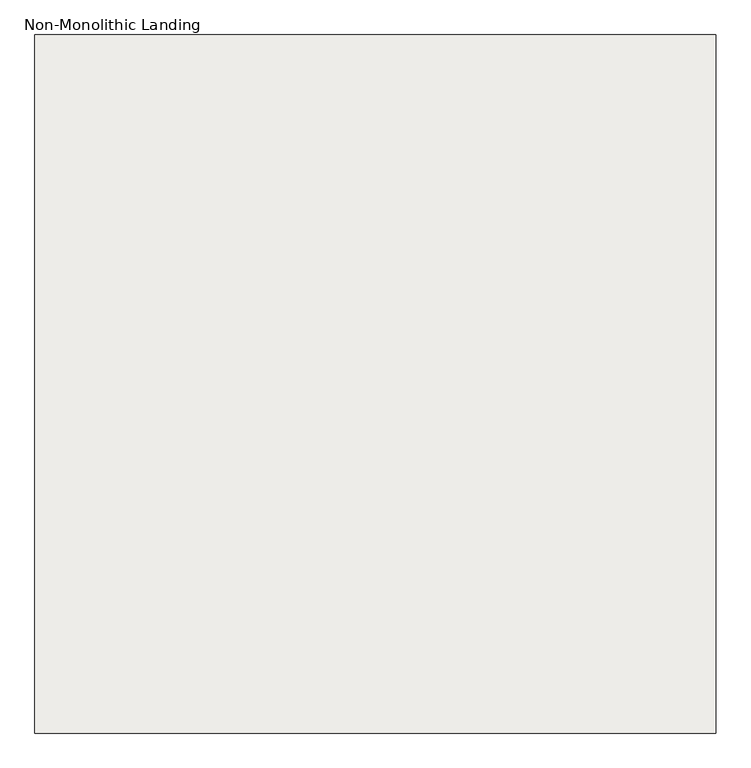
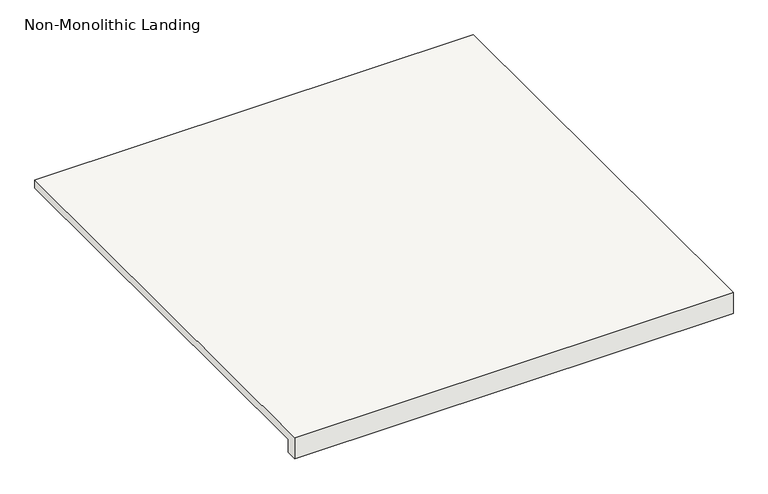
"""IFC4 building model written with IfcOpenShell, lengths in millimetres: slab geometry, Non-Monolithic Landing."""

from ifc_helpers import new_model, si_unit, origin, place, context, project, spatial, faceted_brep, source, transform, mapped, element, save


def non_monolithic_landing_16129a73(model_context):
    return source(origin(), model_context, "Body", "Brep", [
        faceted_brep([(2670.2555789, -367.2133666, 87960.0), (3670.2555789, -367.2133666, 87960.0), (3670.2555789, -341.8133666, 87960.0), (3670.2555789, 658.1866334, 87960.0), (2670.2555789, 658.1866334, 87960.0), (2695.6555789, -341.8133666, 87909.2), (2695.6555789, 658.1866334, 87909.2), (3670.2555789, 658.1866334, 87909.2), (3670.2555789, -341.8133666, 87909.2), (3670.2555789, -367.2133666, 87909.2), (2670.2555789, -367.2133666, 87909.2), (2670.2555789, -341.8133666, 87909.2), (2695.6555789, -341.8133666, 87915.55), (2695.6555789, 658.1866334, 87915.55), (2670.2555789, -341.8133666, 87940.95), (2670.2555789, 658.1866334, 87940.95)], [[[0, 1, 2, 3, 4]], [[5, 6, 7, 8, 9, 10, 11]], [[6, 5, 12, 13]], [[5, 11, 14, 12]], [[2, 1, 9, 8]], [[3, 2, 8, 7]], [[4, 3, 7, 6, 13, 15]], [[15, 13, 12, 14]], [[0, 4, 15, 14, 11, 10]], [[1, 0, 10, 9]]]),
    ])


if __name__ == "__main__":
    model = new_model("IFC4")
    model_context = context("Model", 3, world=origin())
    ifc_project = project(units=[si_unit("LENGTHUNIT", "METRE", prefix="MILLI")], contexts=[model_context])
    site = spatial("IfcSite", under=ifc_project)
    building = spatial("IfcBuilding", under=site)
    placement = place(None, origin())
    non_monolithic_landing_shape = non_monolithic_landing_16129a73(model_context)
    element("IfcSlab", 1, ObjectType="Non-Monolithic Landing", at=placement, inside=building, context=model_context, shape_type="MappedRepresentation", body=[
        mapped(non_monolithic_landing_shape, transform((0.0, 0.0, 0.0), x_axis=(1.0, 0.0, 0.0), y_axis=(0.0, 1.0, 0.0), z_axis=(0.0, 0.0, 1.0))),
    ])
    save(model, "model.ifc")
